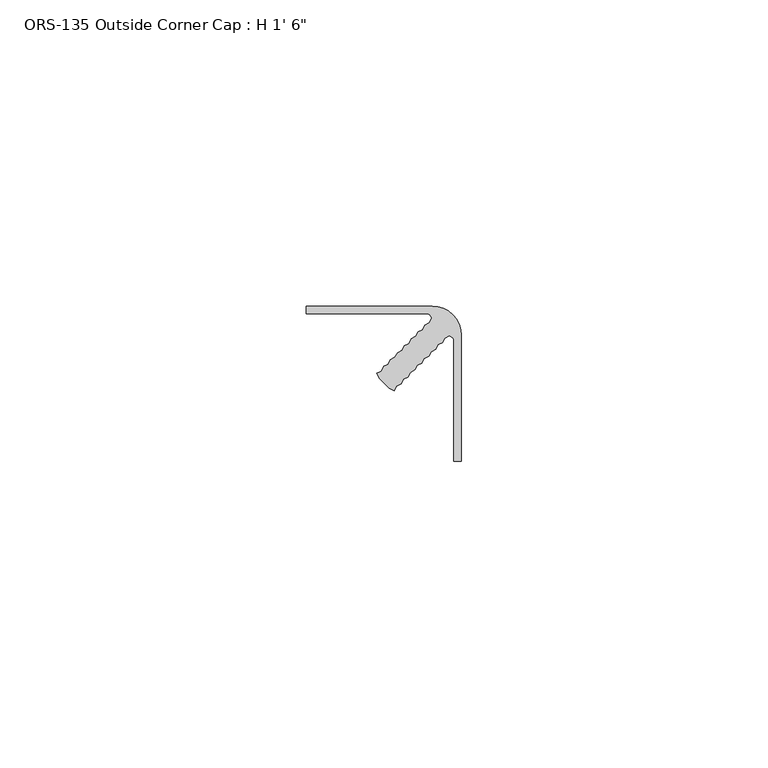
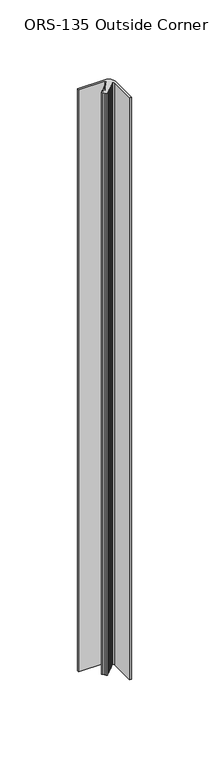
"""IFC4 building model written with IfcOpenShell, lengths in millimetres: proxy geometry."""

from ifc_helpers import new_model, si_unit, point, frame_2d, origin, origin_with_axes, place, context, project, spatial, polyline, circle_curve, trimmed, segment, composite_curve, outline, extrude, source, transform, mapped, element, save


def proxy_ab239c54(model_context):
    return source(origin(), model_context, "Body", "SweptSolid", [
        extrude(outline(composite_curve([segment(polyline([(-12.6059833, -12.6059833), (-13.4171282, -11.7948384), (-13.8620216, -11.0242606), (-13.1296487, -10.651098), (-12.7055743, -9.8678134), (-11.9732015, -9.4946508), (-11.6000389, -8.7622779), (-10.867666, -8.3891153), (-10.4435916, -7.6058307), (-9.7112188, -7.2326681), (-9.3380562, -6.5002952), (-8.6056833, -6.1271326), (-8.1816089, -5.343848), (-7.4492361, -4.9706854), (-7.0760735, -4.2383125), (-6.3437006, -3.8651499), (-5.970538, -3.1327771), (-5.2381652, -2.7596145), (-4.8650026, -2.0272416)]), True, "CONTINUOUS"), segment(trimmed(circle_curve(frame_2d((-5.7719359, -2.1846401)), 0.9204903), [point((-4.8650026, -2.0272416))], [point((-5.8755496, -1.27))], True, "CARTESIAN"), True, "CONTINUOUS"), segment(polyline([(-5.8755496, -1.27), (-25.4, -1.27), (-25.4, 0.0), (-4.7752, 0.0)]), True, "CONTINUOUS"), segment(trimmed(circle_curve(frame_2d((-4.7752, -4.7752)), 4.7752), [point((-4.7752, 0.0))], [point((-1.3986237, -1.3986237))], False, "CARTESIAN"), True, "CONTINUOUS"), segment(trimmed(circle_curve(frame_2d((-4.7752, -4.7752)), 4.7752), [point((-1.3986237, -1.3986237))], [point((0.0, -4.7752))], False, "CARTESIAN"), True, "CONTINUOUS"), segment(polyline([(0.0, -4.7752), (0.0, -25.4), (-1.27, -25.4), (-1.27, -5.8755496)]), True, "CONTINUOUS"), segment(trimmed(circle_curve(frame_2d((-2.1846401, -5.7719359)), 0.9204903), [point((-1.27, -5.8755496))], [point((-2.0272416, -4.8650026))], True, "CARTESIAN"), True, "CONTINUOUS"), segment(polyline([(-2.0272416, -4.8650026), (-2.7596145, -5.2381652), (-3.1327771, -5.970538), (-3.8651499, -6.3437006), (-4.2383125, -7.0760735), (-4.9706854, -7.4492361), (-5.343848, -8.1816089), (-6.1271326, -8.6056833), (-6.5002952, -9.3380562), (-7.2326681, -9.7112188), (-7.6058307, -10.4435916), (-8.3891153, -10.867666), (-8.7622779, -11.6000389), (-9.4946508, -11.9732015), (-9.8678134, -12.7055743), (-10.651098, -13.1296487), (-11.0242606, -13.8620215), (-11.7948384, -13.4171282), (-12.6059833, -12.6059833)]), True, "CONTINUOUS")], self_intersect=False)), origin_with_axes(), (0.0, 0.0, 1.0), 457.2),
    ])


if __name__ == "__main__":
    model = new_model("IFC4")
    model_context = context("Model", 3, world=origin())
    ifc_project = project(units=[si_unit("LENGTHUNIT", "METRE", prefix="MILLI")], contexts=[model_context])
    site = spatial("IfcSite", under=ifc_project)
    building = spatial("IfcBuilding", under=site)
    placement = place(None, origin())
    proxy_shape = proxy_ab239c54(model_context)
    element("IfcBuildingElementProxy", 1, Name="ORS-135 Outside Corner Cap : H 1' 6\"", ObjectType="ORS-135 Outside Corner Cap : H 1' 6\"", at=placement, inside=building, context=model_context, shape_type="MappedRepresentation", body=[
        mapped(proxy_shape, transform((0.0, 0.0, 0.0), x_axis=(1.0, 0.0, 0.0), y_axis=(0.0, 1.0, 0.0), z_axis=(0.0, 0.0, 1.0))),
    ])
    save(model, "model.ifc")
